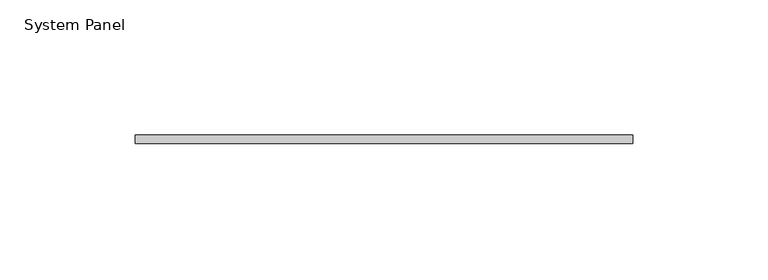
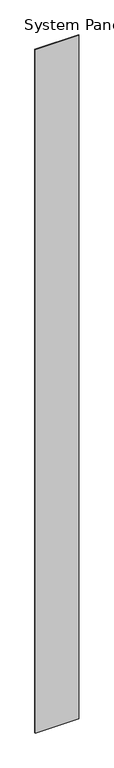
"""IFC4 building model written with IfcOpenShell, lengths in millimetres: plate geometry, System Panel."""

from ifc_helpers import new_model, si_unit, origin, origin_with_axes, place, context, project, spatial, polyline, outline, extrude, source, transform, mapped, element, save


def system_panel_71a23622(model_context):
    return source(origin(), model_context, "Body", "SweptSolid", [
        extrude(outline(polyline([(92.075, -3.175), (-92.075, -3.175), (-92.075, 0.0), (92.075, 0.0), (92.075, -3.175)])), origin_with_axes(), (0.0, 0.0, 1.0), 3048.0),
    ])


if __name__ == "__main__":
    model = new_model("IFC4")
    model_context = context("Model", 3, world=origin())
    ifc_project = project(units=[si_unit("LENGTHUNIT", "METRE", prefix="MILLI")], contexts=[model_context])
    site = spatial("IfcSite", under=ifc_project)
    building = spatial("IfcBuilding", under=site)
    placement = place(None, origin())
    system_panel_shape = system_panel_71a23622(model_context)
    element("IfcPlate", 1, ObjectType="System Panel", at=placement, inside=building, context=model_context, shape_type="MappedRepresentation", body=[
        mapped(system_panel_shape, transform((0.0, 0.0, 0.0), x_axis=(1.0, 0.0, 0.0), y_axis=(0.0, 1.0, 0.0), z_axis=(0.0, 0.0, 1.0))),
    ])
    save(model, "model.ifc")
